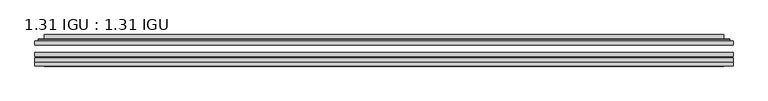
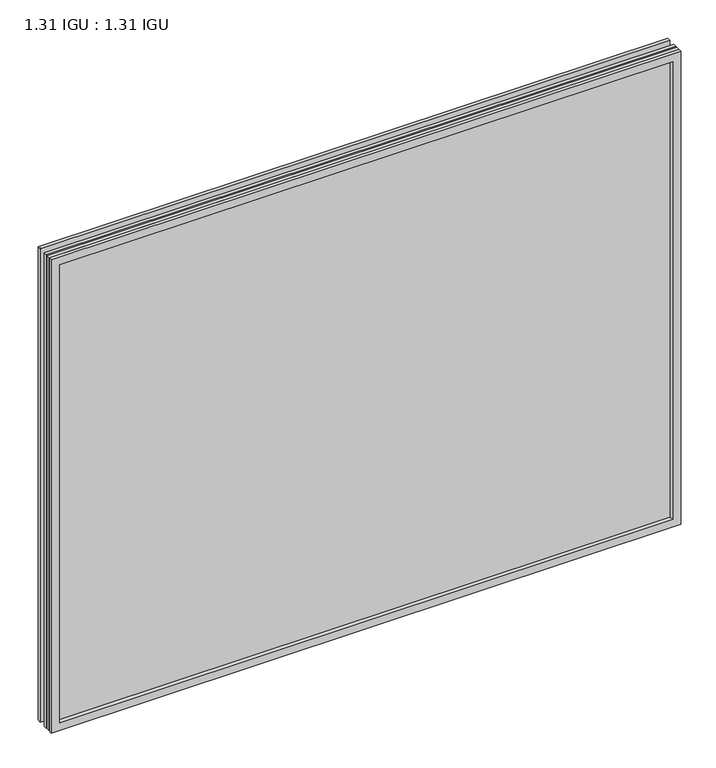
"""IFC4 building model written with IfcOpenShell, lengths in millimetres: plate geometry, 1.31 IGU : 1.31 IGU."""

from ifc_helpers import new_model, si_unit, frame, origin, place, context, project, spatial, polyline, ellipse_curve, outline, extrude, faceted_brep, source, transform, mapped, element, save
from ifc_brep_helpers import plane_surface, cylinder_surface, advanced_brep


def plate_1_31_igu_1_31_igu_defec8fe(model_context):
    return source(origin(), model_context, "Body", "SolidModel", [
        extrude(outline(polyline([(547.70485, -63.59525), (547.70485, -69.94525), (-547.690675, -69.94525), (-547.690675, -63.59525), (547.70485, -63.59525)])), frame((0.0, 0.0, -14.2875), z_axis=(0.0, 0.0, 1.0), x_axis=(1.0, 0.0, 0.0)), (0.0, 0.0, 1.0), 869.9537979),
        extrude(outline(polyline([(-547.690675, -78.58125), (-547.690675, -72.230745), (547.70485, -72.230745), (547.70485, -78.58125), (-547.690675, -78.58125)])), frame((0.0, 0.0, -14.2875), z_axis=(0.0, 0.0, 1.0), x_axis=(1.0, 0.0, 0.0)), (0.0, 0.0, 1.0), 869.9537979),
        extrude(outline(polyline([(547.70485, -45.25645), (547.70485, -51.60645), (-547.690675, -51.60645), (-547.690675, -45.25645), (547.70485, -45.25645)])), frame((0.0, 0.0, -14.2875), z_axis=(0.0, 0.0, 1.0), x_axis=(1.0, 0.0, 0.0)), (0.0, 0.0, 1.0), 869.9537979),
        faceted_brep([(-547.703375, -84.93125, 855.6752), (-547.703375, -78.58125, 855.6752), (-547.703375, -78.58125, -14.3002), (-547.703375, -84.93125, -14.3002), (547.703375, -78.58125, -14.3002), (547.703375, -84.93125, -14.3002), (547.703375, -78.58125, 855.6752), (547.703375, -84.93125, 855.6752), (-532.5054309, -78.58125, 0.8977441), (532.5054309, -78.58125, 0.8977441), (532.5054309, -78.58125, 840.4772559), (-532.5054309, -78.58125, 840.4772559), (-533.3978652, -84.93125, 841.3696902), (533.3978652, -84.93125, 841.3696902), (533.3978652, -84.93125, 0.0053098), (-533.3978652, -84.93125, 0.0053098)], [[[0, 1, 2, 3]], [[3, 2, 4, 5]], [[5, 4, 6, 7]], [[1, 6, 4, 2], [8, 9, 10, 11]], [[7, 6, 1, 0]], [[3, 5, 7, 0], [12, 13, 14, 15]], [[11, 12, 15, 8]], [[8, 15, 14, 9]], [[9, 14, 13, 10]], [[10, 13, 12, 11]]]),
        advanced_brep(
        [(-540.449394, -45.25645, 848.4212191), (-542.8035994, -43.2667833, 850.7754244), (-542.8035994, -43.2667833, -9.4004244), (-540.449394, -45.25645, -7.046219), (-531.3750689, -41.416413, 839.3468939), (-526.4402371, -45.25645, 834.4120621), (-526.4402371, -45.25645, 6.9629379), (-531.3750689, -41.416413, 2.0281061), (-532.4070967, -36.0191819, 840.3789217), (-532.4070967, -36.0191819, 0.9960783), (-533.3977534, -35.6202069, 841.3695784), (-533.3977534, -35.6202069, 0.0054216), (-533.3977534, -42.08145, 841.3695784), (-533.3977534, -42.08145, 0.0054216), (-541.8018099, -42.08145, 849.7736349), (-541.8018099, -42.08145, -8.3986349), (542.8035994, -43.2667833, -9.4004244), (540.449394, -45.25645, -7.046219), (526.4402371, -45.25645, 6.9629379), (531.3750689, -41.416413, 2.0281061), (532.4070967, -36.0191819, 0.9960783), (533.3977534, -35.6202069, 0.0054216), (533.3977534, -42.08145, 0.0054216), (541.8018099, -42.08145, -8.3986349), (542.8035994, -43.2667833, 850.7754244), (540.449394, -45.25645, 848.4212191), (526.4402371, -45.25645, 834.4120621), (531.3750689, -41.416413, 839.3468939), (532.4070967, -36.0191819, 840.3789217), (533.3977534, -35.6202069, 841.3695784), (533.3977534, -42.08145, 841.3695784), (541.8018099, -42.08145, 849.7736349)],
        [
            (0, 1, ellipse_curve(frame((-540.449394, -42.86885, 848.4212191), z_axis=(-0.7071067811865475, 0.0, -0.7071067811865475), x_axis=(-0.7071067811865474, 0.0, 0.7071067811865476)), 3.3765763, 2.3876)),
            (1, 2),
            (2, 3, ellipse_curve(frame((-540.449394, -42.86885, -7.046219), z_axis=(-0.7071067811865475, 0.0, 0.7071067811865475), x_axis=(0.7071067811865474, 0.0, 0.7071067811865476)), 3.3765763, 2.3876)),
            (3, 0),
            (4, 5),
            (5, 6),
            (6, 7),
            (7, 4),
            (8, 4),
            (7, 9),
            (9, 8),
            (10, 8, ellipse_curve(frame((-533.0307969, -36.1384423, 841.0026219), z_axis=(-0.7071067811865475, 0.0, -0.7071067811865475), x_axis=(-0.7071067811865474, 0.0, 0.7071067811865476)), 0.8980256, 0.635)),
            (9, 11, ellipse_curve(frame((-533.0307969, -36.1384423, 0.3723781), z_axis=(-0.7071067811865475, 0.0, 0.7071067811865475), x_axis=(0.7071067811865474, 0.0, 0.7071067811865476)), 0.8980256, 0.635)),
            (11, 10),
            (12, 10),
            (11, 13),
            (13, 12),
            (1, 14, ellipse_curve(frame((-541.8018099, -43.09745, 849.7736349), z_axis=(-0.7071067811865475, 0.0, -0.7071067811865475), x_axis=(-0.7071067811865474, 0.0, 0.7071067811865476)), 1.436841, 1.016)),
            (14, 15),
            (15, 2, ellipse_curve(frame((-541.8018099, -43.09745, -8.3986349), z_axis=(-0.7071067811865475, 0.0, 0.7071067811865475), x_axis=(0.7071067811865474, 0.0, 0.7071067811865476)), 1.436841, 1.016)),
            (2, 16),
            (16, 17, ellipse_curve(frame((540.449394, -42.86885, -7.046219), z_axis=(-0.7071067811865475, 0.0, -0.7071067811865475), x_axis=(-0.7071067811865476, 0.0, 0.7071067811865474)), 3.3765763, 2.3876)),
            (17, 3),
            (6, 18),
            (18, 19),
            (19, 7),
            (19, 20),
            (20, 9),
            (20, 21, ellipse_curve(frame((533.0307969, -36.1384423, 0.3723781), z_axis=(-0.7071067811865475, 0.0, -0.7071067811865475), x_axis=(-0.7071067811865476, 0.0, 0.7071067811865474)), 0.8980256, 0.635)),
            (21, 11),
            (21, 22),
            (22, 13),
            (15, 23),
            (23, 16, ellipse_curve(frame((541.8018099, -43.09745, -8.3986349), z_axis=(-0.7071067811865475, 0.0, -0.7071067811865475), x_axis=(-0.7071067811865476, 0.0, 0.7071067811865474)), 1.436841, 1.016)),
            (16, 24),
            (24, 25, ellipse_curve(frame((540.449394, -42.86885, 848.4212191), z_axis=(0.7071067811865475, 0.0, -0.7071067811865475), x_axis=(-0.7071067811865474, 0.0, -0.7071067811865476)), 3.3765763, 2.3876)),
            (25, 17),
            (18, 26),
            (26, 27),
            (27, 19),
            (27, 28),
            (28, 20),
            (28, 29, ellipse_curve(frame((533.0307969, -36.1384423, 841.0026219), z_axis=(0.7071067811865475, 0.0, -0.7071067811865475), x_axis=(-0.7071067811865474, 0.0, -0.7071067811865476)), 0.8980256, 0.635)),
            (29, 21),
            (29, 30),
            (30, 22),
            (23, 31),
            (31, 24, ellipse_curve(frame((541.8018099, -43.09745, 849.7736349), z_axis=(0.7071067811865475, 0.0, -0.7071067811865475), x_axis=(-0.7071067811865474, 0.0, -0.7071067811865476)), 1.436841, 1.016)),
            (24, 1),
            (0, 25),
            (5, 26),
            (4, 27),
            (8, 28),
            (10, 29),
            (12, 30),
            (14, 31),
        ],
        [
            cylinder_surface(frame((-540.449394, -42.86885, 873.125), z_axis=(0.0, 0.0, 1.0), x_axis=(-1.0, 0.0, 0.0)), 2.3876),
            plane_surface(frame((-526.4402371, -45.25645, 834.4120621), z_axis=(0.6141233906514794, 0.7892100234124821, 0.0), x_axis=(0.0, 0.0, -1.0))),
            plane_surface(frame((-531.3750689, -41.416413, 839.3468939), z_axis=(0.9822050625507729, 0.18781164793386076, 0.0), x_axis=(0.0, 0.0, -1.0))),
            cylinder_surface(frame((-533.0307969, -36.1384423, 873.125), z_axis=(0.0, 0.0, 1.0), x_axis=(-1.0, 0.0, 0.0)), 0.635),
            plane_surface(frame((-533.3977534, -35.6202069, 841.3695784), z_axis=(-1.0, 0.0, 0.0), x_axis=(0.0, 0.0, -1.0))),
            cylinder_surface(frame((-541.8018099, -43.09745, 873.125), z_axis=(0.0, 0.0, 1.0), x_axis=(-1.0, 0.0, 0.0)), 1.016),
            cylinder_surface(frame((-565.153175, -42.86885, -7.046219), z_axis=(-1.0, 0.0, 0.0), x_axis=(0.0, 0.0, -1.0)), 2.3876),
            plane_surface(frame((-526.4402371, -45.25645, 6.9629379), z_axis=(0.0, 0.7892100234124841, 0.6141233906514768), x_axis=(1.0, 0.0, 0.0))),
            plane_surface(frame((-531.3750689, -41.416413, 2.0281061), z_axis=(0.0, 0.18781164793386393, 0.9822050625507723), x_axis=(1.0, 0.0, 0.0))),
            cylinder_surface(frame((-565.153175, -36.1384423, 0.3723781), z_axis=(-1.0, 0.0, 0.0), x_axis=(0.0, 0.0, -1.0)), 0.635),
            plane_surface(frame((-533.3977534, -35.6202069, 0.0054216), z_axis=(0.0, 0.0, -1.0), x_axis=(1.0, 0.0, 0.0))),
            cylinder_surface(frame((-565.153175, -43.09745, -8.3986349), z_axis=(-1.0, 0.0, 0.0), x_axis=(0.0, 0.0, -1.0)), 1.016),
            cylinder_surface(frame((540.449394, -42.86885, -31.75), z_axis=(0.0, 0.0, -1.0), x_axis=(1.0, 0.0, 0.0)), 2.3876),
            plane_surface(frame((526.4402371, -45.25645, 6.9629379), z_axis=(-0.6141233906514743, 0.7892100234124861, 0.0), x_axis=(0.0, 0.0, 1.0))),
            plane_surface(frame((531.3750689, -41.416413, 2.0281061), z_axis=(-0.9822050625507718, 0.1878116479338671, 0.0), x_axis=(0.0, 0.0, 1.0))),
            cylinder_surface(frame((533.0307969, -36.1384423, -31.75), z_axis=(0.0, 0.0, -1.0), x_axis=(1.0, 0.0, 0.0)), 0.635),
            plane_surface(frame((533.3977534, -35.6202069, 0.0054216), z_axis=(1.0, 0.0, 0.0), x_axis=(0.0, 0.0, 1.0))),
            cylinder_surface(frame((541.8018099, -43.09745, -31.75), z_axis=(0.0, 0.0, -1.0), x_axis=(1.0, 0.0, 0.0)), 1.016),
            cylinder_surface(frame((565.153175, -42.86885, 848.4212191), z_axis=(1.0, 0.0, 0.0), x_axis=(0.0, 0.0, 1.0)), 2.3876),
            plane_surface(frame((540.449394, -45.25645, 848.4212191), z_axis=(0.0, -1.0, 0.0), x_axis=(-1.0, 0.0, 0.0))),
            plane_surface(frame((526.4402371, -45.25645, 834.4120621), z_axis=(0.0, 0.7892100234124841, -0.6141233906514768), x_axis=(-1.0, 0.0, 0.0))),
            plane_surface(frame((531.3750689, -41.416413, 839.3468939), z_axis=(0.0, 0.18781164793386393, -0.9822050625507723), x_axis=(-1.0, 0.0, 0.0))),
            cylinder_surface(frame((565.153175, -36.1384423, 841.0026219), z_axis=(1.0, 0.0, 0.0), x_axis=(0.0, 0.0, 1.0)), 0.635),
            plane_surface(frame((533.3977534, -35.6202069, 841.3695784), z_axis=(0.0, 0.0, 1.0), x_axis=(-1.0, 0.0, 0.0))),
            plane_surface(frame((533.3977534, -42.08145, 841.3695784), z_axis=(0.0, 1.0, 0.0), x_axis=(-1.0, 0.0, 0.0))),
            cylinder_surface(frame((565.153175, -43.09745, 849.7736349), z_axis=(1.0, 0.0, 0.0), x_axis=(0.0, 0.0, 1.0)), 1.016),
        ],
        [
            (0, [[1, 2, 3, 4]]),
            (1, [[5, 6, 7, 8]]),
            (2, [[9, -8, 10, 11]]),
            (3, [[12, -11, 13, 14]]),
            (4, [[15, -14, 16, 17]]),
            (5, [[18, 19, 20, -2]]),
            (6, [[-3, 21, 22, 23]]),
            (7, [[-7, 24, 25, 26]]),
            (8, [[-10, -26, 27, 28]]),
            (9, [[-13, -28, 29, 30]]),
            (10, [[-16, -30, 31, 32]]),
            (11, [[-20, 33, 34, -21]]),
            (12, [[-22, 35, 36, 37]]),
            (13, [[-25, 38, 39, 40]]),
            (14, [[-27, -40, 41, 42]]),
            (15, [[-29, -42, 43, 44]]),
            (16, [[-31, -44, 45, 46]]),
            (17, [[-34, 47, 48, -35]]),
            (18, [[-36, 49, -1, 50]]),
            (19, [[-23, -37, -50, -4], [51, -38, -24, -6]]),
            (20, [[-39, -51, -5, 52]]),
            (21, [[-41, -52, -9, 53]]),
            (22, [[-43, -53, -12, 54]]),
            (23, [[-45, -54, -15, 55]]),
            (24, [[56, -47, -33, -19], [-32, -46, -55, -17]]),
            (25, [[-48, -56, -18, -49]]),
        ],
    ),
    ])


if __name__ == "__main__":
    model = new_model("IFC4")
    model_context = context("Model", 3, world=origin())
    ifc_project = project(units=[si_unit("LENGTHUNIT", "METRE", prefix="MILLI")], contexts=[model_context])
    site = spatial("IfcSite", under=ifc_project)
    building = spatial("IfcBuilding", under=site)
    placement = place(None, origin())
    plate_1_31_igu_1_31_igu_shape = plate_1_31_igu_1_31_igu_defec8fe(model_context)
    element("IfcPlate", 1, ObjectType="1.31 IGU : 1.31 IGU", at=placement, inside=building, context=model_context, shape_type="MappedRepresentation", body=[
        mapped(plate_1_31_igu_1_31_igu_shape, transform((0.0, 0.0, 0.0), x_axis=(1.0, 0.0, 0.0), y_axis=(0.0, 1.0, 0.0), z_axis=(0.0, 0.0, 1.0))),
    ])
    save(model, "model.ifc")
